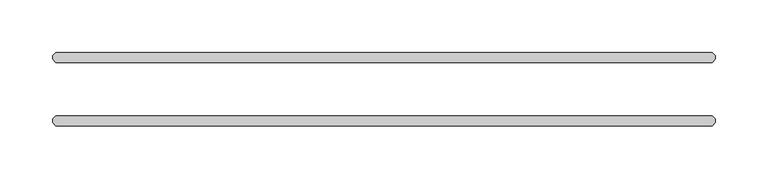
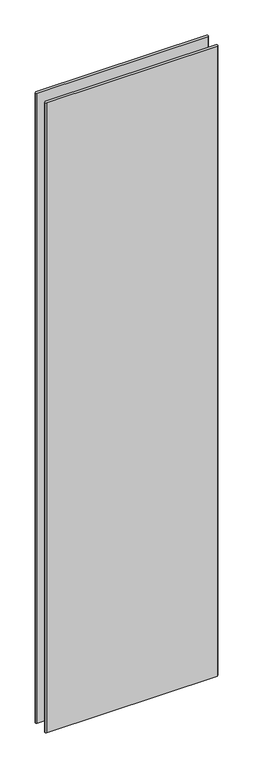
"""IFC4 building model written with IfcOpenShell, lengths in millimetres: plate geometry."""

from ifc_helpers import new_model, si_unit, origin, origin_with_axes, place, context, project, spatial, polyline, outline, extrude, source, transform, mapped, element, save


def plate_074a8f0f(model_context):
    return source(origin(), model_context, "Body", "SweptSolid", [
        extrude(outline(polyline([(311.546875, 34.925), (314.721875, 31.75), (314.721875, 28.575), (311.546875, 25.4), (-311.546875, 25.4), (-314.721875, 28.575), (-314.721875, 31.75), (-311.546875, 34.925), (311.546875, 34.925)])), origin_with_axes(), (0.0, 0.0, 1.0), 2428.7789267),
        extrude(outline(polyline([(311.546875, -25.4), (314.721875, -28.575), (314.721875, -31.75), (311.546875, -34.925), (-311.546875, -34.925), (-314.721875, -31.75), (-314.721875, -28.575), (-311.546875, -25.4), (311.546875, -25.4)])), origin_with_axes(), (0.0, 0.0, 1.0), 2428.7789267),
    ])


if __name__ == "__main__":
    model = new_model("IFC4")
    model_context = context("Model", 3, world=origin())
    ifc_project = project(units=[si_unit("LENGTHUNIT", "METRE", prefix="MILLI")], contexts=[model_context])
    site = spatial("IfcSite", under=ifc_project)
    building = spatial("IfcBuilding", under=site)
    placement = place(None, origin())
    plate_shape = plate_074a8f0f(model_context)
    element("IfcPlate", 1, at=placement, inside=building, context=model_context, shape_type="MappedRepresentation", body=[
        mapped(plate_shape, transform((0.0, 0.0, 0.0), x_axis=(1.0, 0.0, 0.0), y_axis=(0.0, 1.0, 0.0), z_axis=(0.0, 0.0, 1.0))),
    ])
    save(model, "model.ifc")
